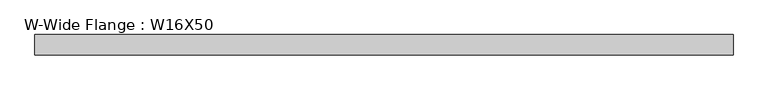
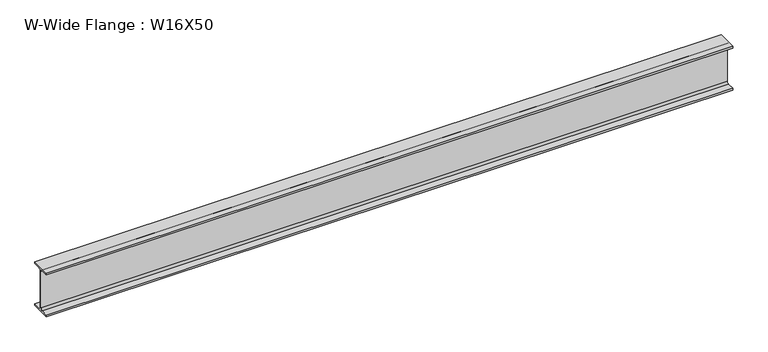
"""IFC4 building model written with IfcOpenShell, lengths in millimetres: beam geometry, W-Wide Flange : W16X50."""

from ifc_helpers import new_model, si_unit, point, frame, frame_2d, origin, place, context, project, spatial, polyline, circle_curve, trimmed, segment, composite_curve, outline, extrude, source, transform, mapped, element, save


def w_wide_flange_w16x50_46f1d54b(model_context):
    return source(origin(), model_context, "Body", "SweptSolid", [
        extrude(outline(composite_curve([segment(polyline([(89.789, -191.008), (89.789, -207.01), (-89.789, -207.01), (-89.789, -191.008), (-22.1615, -191.008)]), True, "CONTINUOUS"), segment(trimmed(circle_curve(frame_2d((-22.1615, -173.6725)), 17.3355), [point((-22.1615, -191.008))], [point((-4.826, -173.6725))], True, "CARTESIAN"), True, "CONTINUOUS"), segment(polyline([(-4.826, -173.6725), (-4.826, 173.6725)]), True, "CONTINUOUS"), segment(trimmed(circle_curve(frame_2d((-22.1615, 173.6725)), 17.3355), [point((-4.826, 173.6725))], [point((-22.1615, 191.008))], True, "CARTESIAN"), True, "CONTINUOUS"), segment(polyline([(-22.1615, 191.008), (-89.789, 191.008), (-89.789, 207.01), (89.789, 207.01), (89.789, 191.008), (22.1615, 191.008)]), True, "CONTINUOUS"), segment(trimmed(circle_curve(frame_2d((22.1615, 173.6725)), 17.3355), [point((22.1615, 191.008))], [point((4.826, 173.6725))], True, "CARTESIAN"), True, "CONTINUOUS"), segment(polyline([(4.826, 173.6725), (4.826, -173.6725)]), True, "CONTINUOUS"), segment(trimmed(circle_curve(frame_2d((22.1615, -173.6725)), 17.3355), [point((4.826, -173.6725))], [point((22.1615, -191.008))], True, "CARTESIAN"), True, "CONTINUOUS"), segment(polyline([(22.1615, -191.008), (89.789, -191.008)]), True, "CONTINUOUS")], self_intersect=False)), frame((-3079.75, 0.0, 0.0), z_axis=(1.0, 0.0, 0.0), x_axis=(0.0, 1.0, 0.0)), (0.0, 0.0, 1.0), 6159.5),
    ])


if __name__ == "__main__":
    model = new_model("IFC4")
    model_context = context("Model", 3, world=origin())
    ifc_project = project(units=[si_unit("LENGTHUNIT", "METRE", prefix="MILLI")], contexts=[model_context])
    site = spatial("IfcSite", under=ifc_project)
    building = spatial("IfcBuilding", under=site)
    placement = place(None, origin())
    w_wide_flange_w16x50_shape = w_wide_flange_w16x50_46f1d54b(model_context)
    element("IfcBeam", 1, ObjectType="W-Wide Flange : W16X50", at=placement, inside=building, context=model_context, shape_type="MappedRepresentation", body=[
        mapped(w_wide_flange_w16x50_shape, transform((0.0, 0.0, 0.0), x_axis=(1.0, 0.0, 0.0), y_axis=(0.0, 1.0, 0.0), z_axis=(0.0, 0.0, 1.0))),
    ])
    save(model, "model.ifc")
